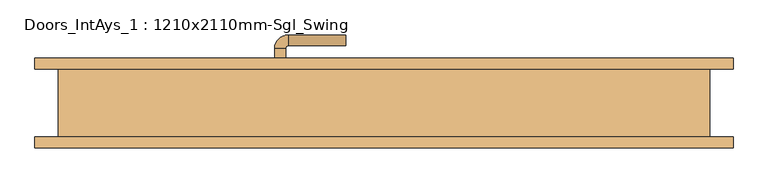
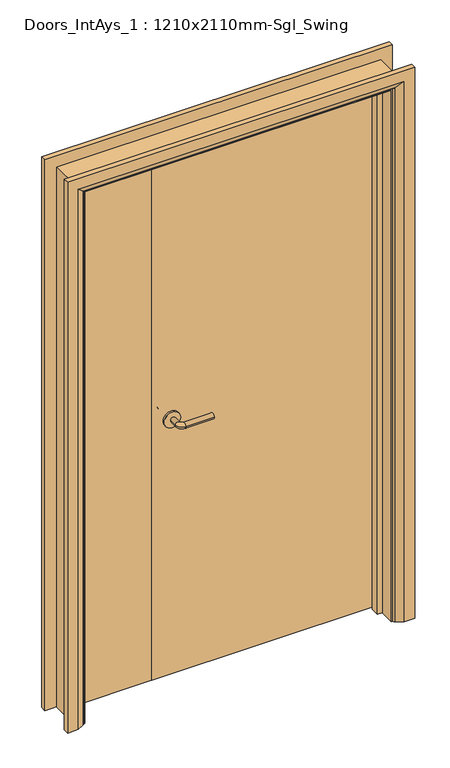
"""IFC4 building model written with IfcOpenShell, lengths in millimetres: door geometry, Doors_IntAys_1 : 1210x2110mm-Sgl_Swing."""

from ifc_helpers import new_model, si_unit, point, frame, frame_2d, origin, place, context, project, spatial, polyline, circle_curve, ellipse_curve, trimmed, segment, composite_curve, outline, extrude, faceted_brep, source, transform, mapped, element, save
from ifc_brep_helpers import plane_surface, cylinder_surface, revolved_surface, advanced_brep


def doors_intays_1_1210x2110mm_sgl_swing_60c5b51b(model_context):
    return source(origin(), model_context, "Body", "SolidModel", [
        advanced_brep(
        [(38.5, 22.5, 1000.0), (58.5, 22.5, 1000.0), (58.5, -7.5, 1000.0), (38.5, -7.5, 1000.0), (63.5, -12.5, 1000.0), (63.5, -32.5, 1000.0), (168.5, -32.5, 1000.0), (168.5, -12.5, 1000.0)],
        [
            (0, 1, circle_curve(frame((48.5, 22.5, 1000.0), z_axis=(0.0, 1.0, 0.0), x_axis=(1.0, 0.0, 0.0)), 10.0)),
            (1, 0, circle_curve(frame((48.5, 22.5, 1000.0), z_axis=(0.0, 1.0, 0.0), x_axis=(1.0, 0.0, 0.0)), 10.0)),
            (1, 2),
            (2, 3, circle_curve(frame((48.5, -7.5, 1000.0), z_axis=(0.0, 1.0, 0.0), x_axis=(1.0, 0.0, 0.0)), 10.0)),
            (3, 0),
            (3, 2, circle_curve(frame((48.5, -7.5, 1000.0), z_axis=(0.0, 1.0, 0.0), x_axis=(1.0, 0.0, 0.0)), 10.0)),
            (4, 5, circle_curve(frame((63.5, -22.5, 1000.0), z_axis=(-1.0, 0.0, 0.0), x_axis=(0.0, 1.0, 0.0)), 10.0)),
            (5, 3, circle_curve(frame((63.5, -7.5, 1000.0), z_axis=(0.0, 0.0, -1.0), x_axis=(-1.0, 0.0, 0.0)), 25.0)),
            (2, 4, circle_curve(frame((63.5, -7.5, 1000.0), z_axis=(0.0, 0.0, 1.0), x_axis=(-1.0, 0.0, 0.0)), 5.0)),
            (5, 4, circle_curve(frame((63.5, -22.5, 1000.0), z_axis=(-1.0, 0.0, 0.0), x_axis=(0.0, 1.0, 0.0)), 10.0)),
            (6, 7, circle_curve(frame((168.5, -22.5, 1000.0), z_axis=(1.0, 0.0, 0.0), x_axis=(0.0, 1.0, 0.0)), 10.0)),
            (7, 6, circle_curve(frame((168.5, -22.5, 1000.0), z_axis=(1.0, 0.0, 0.0), x_axis=(0.0, 1.0, 0.0)), 10.0)),
            (4, 7),
            (6, 5),
        ],
        [
            plane_surface(frame((48.5, 22.5, 1000.0), z_axis=(0.0, 1.0, 0.0), x_axis=(0.0, 0.0, 1.0))),
            cylinder_surface(frame((48.5, 22.5, 1000.0), z_axis=(0.0, 1.0, 0.0), x_axis=(1.0, 0.0, 0.0)), 10.0),
            revolved_surface(trimmed(ellipse_curve(frame((48.5, -7.5, 1000.0), z_axis=(0.0, -1.0, 0.0), x_axis=(1.0, 0.0, 0.0)), 10.0, 10.0), [point((38.5, -7.5, 1000.0))], [point((58.5, -7.5, 1000.0))], True, "CARTESIAN"), (63.5, -7.5, 1000.0), (0.0, 0.0, -1.0)),
            revolved_surface(trimmed(ellipse_curve(frame((48.5, -7.5, 1000.0), z_axis=(0.0, -1.0, 0.0), x_axis=(1.0, 0.0, 0.0)), 10.0, 10.0), [point((58.5, -7.5, 1000.0))], [point((38.5, -7.5, 1000.0))], True, "CARTESIAN"), (63.5, -7.5, 1000.0), (0.0, 0.0, -1.0)),
            plane_surface(frame((168.5, -22.5, 1000.0), z_axis=(1.0, 0.0, 0.0), x_axis=(0.0, 0.0, 1.0))),
            cylinder_surface(frame((63.5, -22.5, 1000.0), z_axis=(-1.0, 0.0, 0.0), x_axis=(0.0, 1.0, 0.0)), 10.0),
        ],
        [
            (0, [[1, 2]]),
            (1, [[3, 4, 5, -2]]),
            (1, [[-5, 6, -3, -1]]),
            (2, [[7, 8, -4, 9]]),
            (3, [[10, -9, -6, -8]]),
            (4, [[11, 12]]),
            (5, [[13, -11, 14, -7]]),
            (5, [[-14, -12, -13, -10]]),
        ],
    ),
        extrude(outline(composite_curve([segment(trimmed(circle_curve(frame_2d((1000.0, 46.0)), 30.0), [point((1000.0, 16.0))], [point((1000.0, 76.0))], False, "CARTESIAN"), True, "CONTINUOUS"), segment(trimmed(circle_curve(frame_2d((1000.0, 46.0)), 30.0), [point((1000.0, 76.0))], [point((1000.0, 16.0))], False, "CARTESIAN"), True, "CONTINUOUS")], self_intersect=False)), frame((0.0, 22.5, 0.0), z_axis=(0.0, 1.0, 0.0), x_axis=(0.0, 0.0, 1.0)), (0.0, 0.0, 1.0), 8.0),
        advanced_brep(
        [(38.5, 70.5, 1000.0), (58.5, 70.5, 1000.0), (38.5, 100.5, 1000.0), (58.5, 100.5, 1000.0), (63.5, 105.5, 1000.0), (63.5, 125.5, 1000.0), (168.5, 125.5, 1000.0), (168.5, 105.5, 1000.0)],
        [
            (0, 1, circle_curve(frame((48.5, 70.5, 1000.0), z_axis=(0.0, -1.0, 0.0), x_axis=(1.0, 0.0, 0.0)), 10.0)),
            (1, 0, circle_curve(frame((48.5, 70.5, 1000.0), z_axis=(0.0, -1.0, 0.0), x_axis=(1.0, 0.0, 0.0)), 10.0)),
            (0, 2),
            (2, 3, circle_curve(frame((48.5, 100.5, 1000.0), z_axis=(0.0, -1.0, 0.0), x_axis=(1.0, 0.0, 0.0)), 10.0)),
            (3, 1),
            (3, 2, circle_curve(frame((48.5, 100.5, 1000.0), z_axis=(0.0, -1.0, 0.0), x_axis=(1.0, 0.0, 0.0)), 10.0)),
            (4, 3, circle_curve(frame((63.5, 100.5, 1000.0), z_axis=(0.0, 0.0, 1.0), x_axis=(-1.0, 0.0, 0.0)), 5.0)),
            (2, 5, circle_curve(frame((63.5, 100.5, 1000.0), z_axis=(0.0, 0.0, -1.0), x_axis=(-1.0, 0.0, 0.0)), 25.0)),
            (5, 4, circle_curve(frame((63.5, 115.5, 1000.0), z_axis=(-1.0, 0.0, 0.0), x_axis=(0.0, -1.0, 0.0)), 10.0)),
            (4, 5, circle_curve(frame((63.5, 115.5, 1000.0), z_axis=(-1.0, 0.0, 0.0), x_axis=(0.0, -1.0, 0.0)), 10.0)),
            (6, 7, circle_curve(frame((168.5, 115.5, 1000.0), z_axis=(1.0, 0.0, 0.0), x_axis=(0.0, -1.0, 0.0)), 10.0)),
            (7, 6, circle_curve(frame((168.5, 115.5, 1000.0), z_axis=(1.0, 0.0, 0.0), x_axis=(0.0, -1.0, 0.0)), 10.0)),
            (5, 6),
            (7, 4),
        ],
        [
            plane_surface(frame((48.5, 70.5, 1000.0), z_axis=(0.0, -1.0, 0.0), x_axis=(0.0, 0.0, 1.0))),
            cylinder_surface(frame((48.5, 70.5, 1000.0), z_axis=(0.0, -1.0, 0.0), x_axis=(1.0, 0.0, 0.0)), 10.0),
            revolved_surface(trimmed(ellipse_curve(frame((48.5, 100.5, 1000.0), z_axis=(0.0, -1.0, 0.0), x_axis=(1.0, 0.0, 0.0)), 10.0, 10.0), [point((38.5, 100.5, 1000.0))], [point((58.5, 100.5, 1000.0))], True, "CARTESIAN"), (63.5, 100.5, 1000.0), (0.0, 0.0, -1.0)),
            revolved_surface(trimmed(ellipse_curve(frame((48.5, 100.5, 1000.0), z_axis=(0.0, -1.0, 0.0), x_axis=(1.0, 0.0, 0.0)), 10.0, 10.0), [point((58.5, 100.5, 1000.0))], [point((38.5, 100.5, 1000.0))], True, "CARTESIAN"), (63.5, 100.5, 1000.0), (0.0, 0.0, -1.0)),
            plane_surface(frame((168.5, 115.5, 1000.0), z_axis=(1.0, 0.0, 0.0), x_axis=(0.0, 0.0, 1.0))),
            cylinder_surface(frame((63.5, 115.5, 1000.0), z_axis=(-1.0, 0.0, 0.0), x_axis=(0.0, -1.0, 0.0)), 10.0),
        ],
        [
            (0, [[1, 2]]),
            (1, [[-1, 3, 4, 5]]),
            (1, [[-2, -5, 6, -3]]),
            (2, [[7, -4, 8, 9]]),
            (3, [[-8, -6, -7, 10]]),
            (4, [[11, 12]]),
            (5, [[-9, 13, -12, 14]]),
            (5, [[-10, -14, -11, -13]]),
        ],
    ),
        extrude(outline(composite_curve([segment(trimmed(circle_curve(frame_2d((1000.0, 46.0)), 30.0), [point((1000.0, 16.0))], [point((1000.0, 76.0))], False, "CARTESIAN"), True, "CONTINUOUS"), segment(trimmed(circle_curve(frame_2d((1000.0, 46.0)), 30.0), [point((1000.0, 76.0))], [point((1000.0, 16.0))], False, "CARTESIAN"), True, "CONTINUOUS")], self_intersect=False)), frame((0.0, 62.5, 0.0), z_axis=(0.0, 1.0, 0.0), x_axis=(0.0, 0.0, 1.0)), (0.0, 0.0, 1.0), 8.0),
        advanced_brep(
        [(-401.0, -82.5, 0.0), (-401.0, -62.5, 0.0), (-331.0, -62.5, 0.0), (-335.0, -68.5, 0.0), (-361.0, -82.5, 0.0), (-401.0, -82.5, 2145.0), (-401.0, -62.5, 2145.0), (879.0, -62.5, 2145.0), (879.0, -62.5, 0.0), (809.0, -62.5, 0.0), (809.0, -62.5, 2075.0), (-331.0, -62.5, 2075.0), (-335.0, -68.5, 2079.0), (-361.0, -82.5, 2105.0), (839.0, -82.5, 2105.0), (839.0, -82.5, 0.0), (879.0, -82.5, 0.0), (879.0, -82.5, 2145.0), (813.0, -68.5, 0.0), (813.0, -68.5, 2079.0)],
        [
            (0, 1),
            (1, 2),
            (2, 3, circle_curve(frame((-339.0, -61.5, 0.0), z_axis=(0.0, 0.0, -1.0), x_axis=(-1.0, 0.0, 0.0)), 8.0622577)),
            (3, 4),
            (4, 0),
            (0, 5),
            (5, 6),
            (6, 1),
            (6, 7),
            (7, 8),
            (8, 9),
            (9, 10),
            (10, 11),
            (11, 2),
            (11, 12, ellipse_curve(frame((-339.0, -61.5, 2083.0), z_axis=(-0.7071067811865475, 0.0, -0.7071067811865475), x_axis=(0.7071067811865474, 0.0, -0.7071067811865476)), 11.4017543, 8.0622577)),
            (12, 3),
            (12, 13),
            (13, 4),
            (13, 14),
            (14, 15),
            (15, 16),
            (16, 17),
            (17, 5),
            (7, 17),
            (16, 8),
            (15, 18),
            (18, 9, circle_curve(frame((817.0, -61.5, 0.0), z_axis=(0.0, 0.0, -1.0), x_axis=(1.0, 0.0, 0.0)), 8.0622577)),
            (19, 10, ellipse_curve(frame((817.0, -61.5, 2083.0), z_axis=(0.7071067811865475, 0.0, -0.7071067811865475), x_axis=(0.7071067811865474, 0.0, 0.7071067811865476)), 11.4017543, 8.0622577)),
            (18, 19),
            (14, 19),
            (19, 12),
        ],
        [
            plane_surface(frame((-331.0, -62.5, 0.0), z_axis=(0.0, 0.0, -1.0), x_axis=(0.0, -1.0, 0.0))),
            plane_surface(frame((-401.0, -82.5, 0.0), z_axis=(-1.0, 0.0, 0.0), x_axis=(0.0, 0.0, 1.0))),
            plane_surface(frame((-401.0, -62.5, 0.0), z_axis=(0.0, 1.0, 0.0), x_axis=(0.0, 0.0, 1.0))),
            cylinder_surface(frame((-339.0, -61.5, 0.0), z_axis=(0.0, 0.0, -1.0), x_axis=(-1.0, 0.0, 0.0)), 8.0622577),
            plane_surface(frame((-335.0, -68.5, 0.0), z_axis=(0.4740998230350183, -0.8804710999221749, 0.0), x_axis=(0.0, 0.0, 1.0))),
            plane_surface(frame((-361.0, -82.5, 0.0), z_axis=(0.0, -1.0, 0.0), x_axis=(0.0, 0.0, 1.0))),
            plane_surface(frame((879.0, -82.5, 2145.0), z_axis=(1.0, 0.0, 0.0), x_axis=(0.0, 0.0, -1.0))),
            plane_surface(frame((809.0, -62.5, 0.0), z_axis=(0.0, 0.0, -1.0), x_axis=(0.0, -1.0, 0.0))),
            cylinder_surface(frame((817.0, -61.5, 2075.0), z_axis=(0.0, 0.0, 1.0), x_axis=(1.0, 0.0, 0.0)), 8.0622577),
            plane_surface(frame((813.0, -68.5, 2079.0), z_axis=(-0.4740998230350183, -0.8804710999221749, 0.0), x_axis=(0.0, 0.0, -1.0))),
            plane_surface(frame((-401.0, -82.5, 2145.0), z_axis=(0.0, 0.0, 1.0), x_axis=(1.0, 0.0, 0.0))),
            cylinder_surface(frame((-331.0, -61.5, 2083.0), z_axis=(-1.0, 0.0, 0.0), x_axis=(0.0, 0.0, 1.0)), 8.0622577),
            plane_surface(frame((-335.0, -68.5, 2079.0), z_axis=(0.0, -0.8804710999221749, -0.4740998230350183), x_axis=(1.0, 0.0, 0.0))),
        ],
        [
            (0, [[1, 2, 3, 4, 5]]),
            (1, [[-1, 6, 7, 8]]),
            (2, [[-2, -8, 9, 10, 11, 12, 13, 14]]),
            (3, [[-3, -14, 15, 16]]),
            (4, [[-4, -16, 17, 18]]),
            (5, [[-5, -18, 19, 20, 21, 22, 23, -6]]),
            (6, [[24, -22, 25, -10]]),
            (7, [[-21, 26, 27, -11, -25]]),
            (8, [[28, -12, -27, 29]]),
            (9, [[30, -29, -26, -20]]),
            (10, [[-7, -23, -24, -9]]),
            (11, [[-15, -13, -28, 31]]),
            (12, [[-17, -31, -30, -19]]),
        ],
    ),
        advanced_brep(
        [(879.0, 82.5, 0.0), (879.0, 62.5, 0.0), (809.0, 62.5, 0.0), (813.0, 68.5, 0.0), (839.0, 82.5, 0.0), (879.0, 82.5, 2145.0), (879.0, 62.5, 2145.0), (-401.0, 62.5, 2145.0), (-401.0, 62.5, 0.0), (-331.0, 62.5, 0.0), (-331.0, 62.5, 2075.0), (809.0, 62.5, 2075.0), (813.0, 68.5, 2079.0), (839.0, 82.5, 2105.0), (-361.0, 82.5, 2105.0), (-361.0, 82.5, 0.0), (-401.0, 82.5, 0.0), (-401.0, 82.5, 2145.0), (-335.0, 68.5, 0.0), (-335.0, 68.5, 2079.0)],
        [
            (0, 1),
            (1, 2),
            (2, 3, circle_curve(frame((817.0, 61.5, 0.0), z_axis=(0.0, 0.0, -1.0), x_axis=(1.0, 0.0, 0.0)), 8.0622577)),
            (3, 4),
            (4, 0),
            (0, 5),
            (5, 6),
            (6, 1),
            (6, 7),
            (7, 8),
            (8, 9),
            (9, 10),
            (10, 11),
            (11, 2),
            (11, 12, ellipse_curve(frame((817.0, 61.5, 2083.0), z_axis=(0.7071067811865475, 0.0, -0.7071067811865475), x_axis=(-0.7071067811865474, 0.0, -0.7071067811865476)), 11.4017543, 8.0622577)),
            (12, 3),
            (12, 13),
            (13, 4),
            (13, 14),
            (14, 15),
            (15, 16),
            (16, 17),
            (17, 5),
            (7, 17),
            (16, 8),
            (15, 18),
            (18, 9, circle_curve(frame((-339.0, 61.5, 0.0), z_axis=(0.0, 0.0, -1.0), x_axis=(-1.0, 0.0, 0.0)), 8.0622577)),
            (19, 10, ellipse_curve(frame((-339.0, 61.5, 2083.0), z_axis=(-0.7071067811865475, 0.0, -0.7071067811865475), x_axis=(-0.7071067811865474, 0.0, 0.7071067811865476)), 11.4017543, 8.0622577)),
            (18, 19),
            (14, 19),
            (19, 12),
        ],
        [
            plane_surface(frame((809.0, 62.5, 0.0), z_axis=(0.0, 0.0, -1.0), x_axis=(0.0, -1.0, 0.0))),
            plane_surface(frame((879.0, 82.5, 0.0), z_axis=(1.0, 0.0, 0.0), x_axis=(0.0, 0.0, 1.0))),
            plane_surface(frame((879.0, 62.5, 0.0), z_axis=(0.0, -1.0, 0.0), x_axis=(0.0, 0.0, 1.0))),
            cylinder_surface(frame((817.0, 61.5, 0.0), z_axis=(0.0, 0.0, -1.0), x_axis=(1.0, 0.0, 0.0)), 8.0622577),
            plane_surface(frame((813.0, 68.5, 0.0), z_axis=(-0.4740998230350126, 0.8804710999221779, 0.0), x_axis=(0.0, 0.0, 1.0))),
            plane_surface(frame((839.0, 82.5, 0.0), z_axis=(0.0, 1.0, 0.0), x_axis=(0.0, 0.0, 1.0))),
            plane_surface(frame((-401.0, 82.5, 2145.0), z_axis=(-1.0, 0.0, 0.0), x_axis=(0.0, 0.0, -1.0))),
            plane_surface(frame((-331.0, 62.5, 0.0), z_axis=(0.0, 0.0, -1.0), x_axis=(0.0, -1.0, 0.0))),
            cylinder_surface(frame((-339.0, 61.5, 2075.0), z_axis=(0.0, 0.0, 1.0), x_axis=(-1.0, 0.0, 0.0)), 8.0622577),
            plane_surface(frame((-335.0, 68.5, 2079.0), z_axis=(0.4740998230350183, 0.8804710999221749, 0.0), x_axis=(0.0, 0.0, -1.0))),
            plane_surface(frame((879.0, 82.5, 2145.0), z_axis=(0.0, 0.0, 1.0), x_axis=(-1.0, 0.0, 0.0))),
            cylinder_surface(frame((809.0, 61.5, 2083.0), z_axis=(1.0, 0.0, 0.0), x_axis=(0.0, 0.0, 1.0)), 8.0622577),
            plane_surface(frame((813.0, 68.5, 2079.0), z_axis=(0.0, 0.8804710999221763, -0.4740998230350154), x_axis=(-1.0, 0.0, 0.0))),
        ],
        [
            (0, [[1, 2, 3, 4, 5]]),
            (1, [[-1, 6, 7, 8]]),
            (2, [[-2, -8, 9, 10, 11, 12, 13, 14]]),
            (3, [[-3, -14, 15, 16]]),
            (4, [[-4, -16, 17, 18]]),
            (5, [[-5, -18, 19, 20, 21, 22, 23, -6]]),
            (6, [[24, -22, 25, -10]]),
            (7, [[-21, 26, 27, -11, -25]]),
            (8, [[28, -12, -27, 29]]),
            (9, [[30, -29, -26, -20]]),
            (10, [[-7, -23, -24, -9]]),
            (11, [[-15, -13, -28, 31]]),
            (12, [[-17, -31, -30, -19]]),
        ],
    ),
        faceted_brep([(-307.0, 27.5, 0.0), (-307.0, -4.5, 0.0), (-326.0, -4.5, 0.0), (-326.0, 27.5, 0.0), (-307.0, 27.5, 2051.0), (-307.0, -4.5, 2051.0), (-326.0, -4.5, 2070.0), (-326.0, 27.5, 2070.0), (785.0, 27.5, 0.0), (804.0, 27.5, 0.0), (804.0, -4.5, 0.0), (785.0, -4.5, 0.0), (785.0, 27.5, 2051.0), (804.0, 27.5, 2070.0), (804.0, -4.5, 2070.0), (785.0, -4.5, 2051.0)], [[[0, 1, 2, 3]], [[1, 0, 4, 5]], [[2, 1, 5, 6]], [[3, 2, 6, 7]], [[0, 3, 7, 4]], [[8, 9, 10, 11]], [[12, 13, 9, 8]], [[13, 14, 10, 9]], [[14, 15, 11, 10]], [[15, 12, 8, 11]], [[5, 4, 12, 15]], [[6, 5, 15, 14]], [[7, 6, 14, 13]], [[4, 7, 13, 12]]]),
        extrude(outline(polyline([(2102.0, -358.0), (0.0, -358.0), (0.0, -326.0), (2070.0, -326.0), (2070.0, 804.0), (0.0, 804.0), (0.0, 836.0), (2102.0, 836.0), (2102.0, -358.0)])), frame((0.0, -62.5, 0.0), z_axis=(0.0, 1.0, 0.0), x_axis=(0.0, 0.0, 1.0)), (0.0, 0.0, 1.0), 125.0),
        extrude(outline(polyline([(-28.0, 30.5), (-323.0, 30.5), (-323.0, 62.5), (-28.0, 62.5), (-28.0, 30.5)])), frame((0.0, 0.0, 5.753223), z_axis=(0.0, 0.0, 1.0), x_axis=(1.0, 0.0, 0.0)), (0.0, 0.0, 1.0), 2061.246777),
        extrude(outline(polyline([(801.0, 30.5), (-25.0, 30.5), (-25.0, 62.5), (801.0, 62.5), (801.0, 30.5)])), frame((0.0, 0.0, 5.753223), z_axis=(0.0, 0.0, 1.0), x_axis=(1.0, 0.0, 0.0)), (0.0, 0.0, 1.0), 2061.246777),
    ])


if __name__ == "__main__":
    model = new_model("IFC4")
    model_context = context("Model", 3, world=origin())
    ifc_project = project(units=[si_unit("LENGTHUNIT", "METRE", prefix="MILLI")], contexts=[model_context])
    site = spatial("IfcSite", under=ifc_project)
    building = spatial("IfcBuilding", under=site)
    placement = place(None, origin())
    doors_intays_1_1210x2110mm_sgl_swing_shape = doors_intays_1_1210x2110mm_sgl_swing_60c5b51b(model_context)
    element("IfcDoor", 1, ObjectType="Doors_IntAys_1 : 1210x2110mm-Sgl_Swing", at=placement, inside=building, context=model_context, shape_type="MappedRepresentation", body=[
        mapped(doors_intays_1_1210x2110mm_sgl_swing_shape, transform((0.0, 0.0, 0.0), x_axis=(1.0, 0.0, 0.0), y_axis=(0.0, 1.0, 0.0), z_axis=(0.0, 0.0, 1.0))),
    ])
    save(model, "model.ifc")
